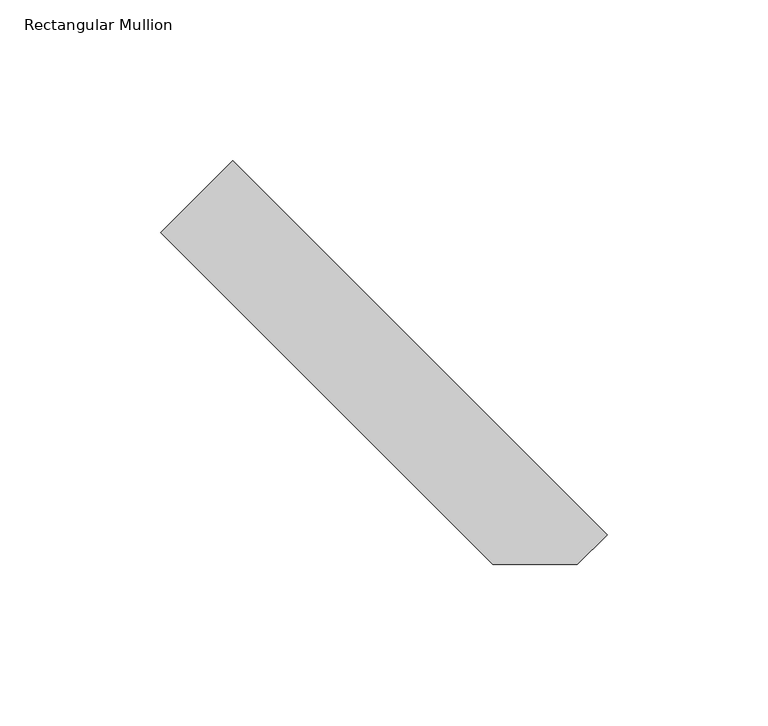
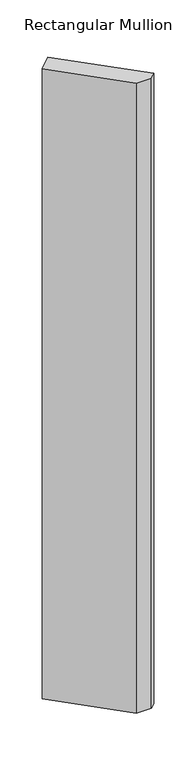
"""IFC4 building model written with IfcOpenShell, lengths in millimetres: member geometry, Rectangular Mullion."""

import ifcopenshell
import ifcopenshell.guid

model = None  # the IFC model being written
_history = None  # IfcOwnerHistory: only IFC2X3 demands one
_inside = {}  # id of a spatial element -> (the spatial element, [elements in it])
_under = {}  # id of a project, library or spatial element -> (it, [spatial elements below it])
_declared = {}  # id of a project -> (the project, [libraries it declares])
_typed = {}  # id of a type object -> (the type object, [elements of that type])
_made_of = {}  # id of a material, layer set ... -> (it, [elements and type objects made of it])


def new_model(schema):
    """Start an empty IFC model of exactly this schema.

    Asked for "IFC4X3", IfcOpenShell would pick the latest addendum, in which some entities
    have other attributes; the version numbers below select the first issue.
    IFC2X3 requires an IfcOwnerHistory on every rooted entity: one is made here for all.
    """
    global model, _history
    if schema == "IFC4X3":
        model = ifcopenshell.file(schema_version=(4, 3, 0, 0))
    else:
        model = ifcopenshell.file(schema=schema)
    _inside.clear()
    _under.clear()
    _declared.clear()
    _typed.clear()
    _made_of.clear()
    _history = None
    if model.schema == "IFC2X3":
        org = make("IfcOrganization", Name="unknown")
        user = make(
            "IfcPersonAndOrganization",
            ThePerson=make("IfcPerson", FamilyName="unknown"),
            TheOrganization=org,
        )
        app = make(
            "IfcApplication",
            ApplicationDeveloper=org,
            Version="unknown",
            ApplicationFullName="unknown",
            ApplicationIdentifier="unknown",
        )
        _history = make(
            "IfcOwnerHistory",
            OwningUser=user,
            OwningApplication=app,
            ChangeAction="ADDED",
            CreationDate=0,
        )
    return model


def make(cls, **values):
    """One entity of the class cls with the attributes given. An attribute that is None is left unset."""
    return model.create_entity(
        cls, **{name: value for name, value in values.items() if value is not None}
    )


def rooted(cls, **values):
    """An entity with a GlobalId (a new one), such as an element, a storey or a relation."""
    return make(cls, GlobalId=ifcopenshell.guid.new(), OwnerHistory=_history, **values)


def si_unit(unit_type, name, prefix=None):
    """IfcSIUnit, for example si_unit("LENGTHUNIT", "METRE", prefix="MILLI")."""
    return make("IfcSIUnit", UnitType=unit_type, Prefix=prefix, Name=name)


def assignment(units):
    """IfcUnitAssignment: the units of a project."""
    return None if units is None else make("IfcUnitAssignment", Units=units)


def point(xyz):
    """IfcCartesianPoint."""
    return None if xyz is None else make("IfcCartesianPoint", Coordinates=xyz)


def direction(xyz):
    """IfcDirection."""
    return None if xyz is None else make("IfcDirection", DirectionRatios=xyz)


def frame(location, z_axis=None, x_axis=None):
    """IfcAxis2Placement3D, a coordinate frame: its origin and axes. An axis left out is left unset."""
    return make(
        "IfcAxis2Placement3D",
        Location=point(location),
        Axis=direction(z_axis),
        RefDirection=direction(x_axis),
    )


def origin():
    """The frame at (0, 0, 0) with its axes left unset."""
    return frame((0.0, 0.0, 0.0))


def place(relative_to, where):
    """IfcLocalPlacement: puts the frame where relative to a parent placement (None: the world)."""
    return make(
        "IfcLocalPlacement", PlacementRelTo=relative_to, RelativePlacement=where
    )


def context(
    kind, dimensions, precision=None, world=None, true_north=None, identifier=None
):
    """IfcGeometricRepresentationContext, for example the 3D "Model" context."""
    return make(
        "IfcGeometricRepresentationContext",
        ContextIdentifier=identifier,
        ContextType=kind,
        CoordinateSpaceDimension=dimensions,
        Precision=precision,
        WorldCoordinateSystem=world,
        TrueNorth=true_north,
    )


def project(units=None, contexts=None):
    """IfcProject with its units and contexts."""
    return rooted(
        "IfcProject",
        Name="project",
        RepresentationContexts=contexts,
        UnitsInContext=assignment(units),
    )


def spatial(cls, under=None, at=None, **own):
    """A site, building, storey or space (cls), placed at a placement, below another one or the project."""
    s = rooted(cls, ObjectPlacement=at, **own)
    if under is not None:
        _under.setdefault(under.id(), (under, []))[1].append(s)
    return s


def polyline(points):
    """IfcPolyline through the points."""
    return make("IfcPolyline", Points=[point(p) for p in points])


def outline(outer, holes=None, kind="AREA"):
    """IfcArbitraryClosedProfileDef: a profile drawn as a closed curve; with holes, ...WithVoids."""
    if holes is None:
        return make("IfcArbitraryClosedProfileDef", ProfileType=kind, OuterCurve=outer)
    return make(
        "IfcArbitraryProfileDefWithVoids",
        ProfileType=kind,
        OuterCurve=outer,
        InnerCurves=holes,
    )


def extrude(swept, where, along, depth):
    """IfcExtrudedAreaSolid: the profile swept, set in the frame where, extruded along a direction by depth."""
    return make(
        "IfcExtrudedAreaSolid",
        SweptArea=swept,
        Position=where,
        ExtrudedDirection=direction(along),
        Depth=depth,
    )


def shape(context_of_items, identifier, shape_type, items):
    """IfcShapeRepresentation: the items that make up one representation, for example the "Body"."""
    return make(
        "IfcShapeRepresentation",
        ContextOfItems=context_of_items,
        RepresentationIdentifier=identifier,
        RepresentationType=shape_type,
        Items=items,
    )


def source(mapping_origin, context_of_items, identifier, shape_type, items):
    """IfcRepresentationMap: a shape defined once, which mapped items show again and again."""
    return make(
        "IfcRepresentationMap",
        MappingOrigin=mapping_origin,
        MappedRepresentation=shape(context_of_items, identifier, shape_type, items),
    )


def transform(
    local_origin,
    x_axis=None,
    y_axis=None,
    z_axis=None,
    scale=None,
    scale2=None,
    scale3=None,
    uniform=True,
):
    """IfcCartesianTransformationOperator3D, or its non-uniform kind. x_axis, y_axis, z_axis: its Axis1, 2, 3."""
    if uniform:
        return make(
            "IfcCartesianTransformationOperator3D",
            Axis1=direction(x_axis),
            Axis2=direction(y_axis),
            LocalOrigin=point(local_origin),
            Scale=scale,
            Axis3=direction(z_axis),
        )
    return make(
        "IfcCartesianTransformationOperator3DnonUniform",
        Axis1=direction(x_axis),
        Axis2=direction(y_axis),
        LocalOrigin=point(local_origin),
        Scale=scale,
        Axis3=direction(z_axis),
        Scale2=scale2,
        Scale3=scale3,
    )


def mapped(mapping_source, mapping_target):
    """IfcMappedItem: shows the shape of a source again, moved by a transform."""
    return make(
        "IfcMappedItem", MappingSource=mapping_source, MappingTarget=mapping_target
    )


def made_of(thing, what):
    """Note that an element or type object is made of a material, layer set ...; save() writes the relation."""
    if what is not None:
        _made_of.setdefault(what.id(), (what, []))[1].append(thing)
    return thing


def element(
    cls,
    number,
    at=None,
    inside=None,
    cuts=None,
    type_object=None,
    material=None,
    context=None,
    identifier="Body",
    shape_type=None,
    held_by="IfcProductDefinitionShape",
    body=None,
    shapes=None,
    **own,
):
    """One element of the class cls, such as IfcWall. Its Tag is "e" and its number.

    at: its placement. inside: the storey or other place that contains it. cuts: it is an
    opening in that element (IfcRelVoidsElement). A single representation is given by context,
    identifier, shape_type and body (its items); several are given by shapes. held_by: the class
    of the entity that holds the representations. save() writes the other relations.
    """
    e = rooted(cls, Tag="e%d" % number, ObjectPlacement=at, **own)
    if body is not None:
        shapes = [shape(context, identifier, shape_type, body)]
    if shapes is not None:
        e.Representation = make(held_by, Representations=shapes)
    if inside is not None:
        _inside.setdefault(inside.id(), (inside, []))[1].append(e)
    if cuts is not None:
        rooted(
            "IfcRelVoidsElement", RelatingBuildingElement=cuts, RelatedOpeningElement=e
        )
    if type_object is not None:
        _typed.setdefault(type_object.id(), (type_object, []))[1].append(e)
    return made_of(e, material)


def aggregate(whole, parts):
    """IfcRelAggregates: a whole, such as a stair, and the parts it consists of."""
    return rooted("IfcRelAggregates", RelatingObject=whole, RelatedObjects=parts)


def save(model, path):
    """Write the relations noted so far, then the file.

    IfcRelAggregates (storeys below a building ...), IfcRelContainedInSpatialStructure (elements
    in a storey), IfcRelDefinesByType, IfcRelAssociatesMaterial and IfcRelDeclares: one each for
    every whole, place, type object, material and project.
    """
    for whole, parts in _under.values():
        aggregate(whole, parts)
    for where, things in _inside.values():
        rooted(
            "IfcRelContainedInSpatialStructure",
            RelatedElements=things,
            RelatingStructure=where,
        )
    for kind, things in _typed.values():
        rooted("IfcRelDefinesByType", RelatedObjects=things, RelatingType=kind)
    for what, things in _made_of.values():
        rooted("IfcRelAssociatesMaterial", RelatedObjects=things, RelatingMaterial=what)
    for by, libraries in _declared.values():
        rooted("IfcRelDeclares", RelatingContext=by, RelatedDefinitions=libraries)
    model.write(path)


def rectangular_mullion_a4ee3c03(model_context):
    return source(origin(), model_context, "Body", "SweptSolid", [
        extrude(outline(polyline([(-41.8472953, 41.8472953), (-51.1508407, 32.54375), (-77.4450306, 32.54375), (-180.7359365, 135.8346559), (-158.2852962, 158.2852962), (-41.8472953, 41.8472953)])), frame((0.0, 0.0, -1155.7), z_axis=(0.0, 0.0, 1.0), x_axis=(1.0, 0.0, 0.0)), (0.0, 0.0, 1.0), 1155.7),
    ])


if __name__ == "__main__":
    model = new_model("IFC4")
    model_context = context("Model", 3, world=origin())
    ifc_project = project(units=[si_unit("LENGTHUNIT", "METRE", prefix="MILLI")], contexts=[model_context])
    site = spatial("IfcSite", under=ifc_project)
    building = spatial("IfcBuilding", under=site)
    placement = place(None, origin())
    rectangular_mullion_shape = rectangular_mullion_a4ee3c03(model_context)
    element("IfcMember", 1, ObjectType="Rectangular Mullion", at=placement, inside=building, context=model_context, shape_type="MappedRepresentation", body=[
        mapped(rectangular_mullion_shape, transform((0.0, 0.0, 0.0), x_axis=(1.0, 0.0, 0.0), y_axis=(0.0, 1.0, 0.0), z_axis=(0.0, 0.0, 1.0))),
    ])
    save(model, "model.ifc")
